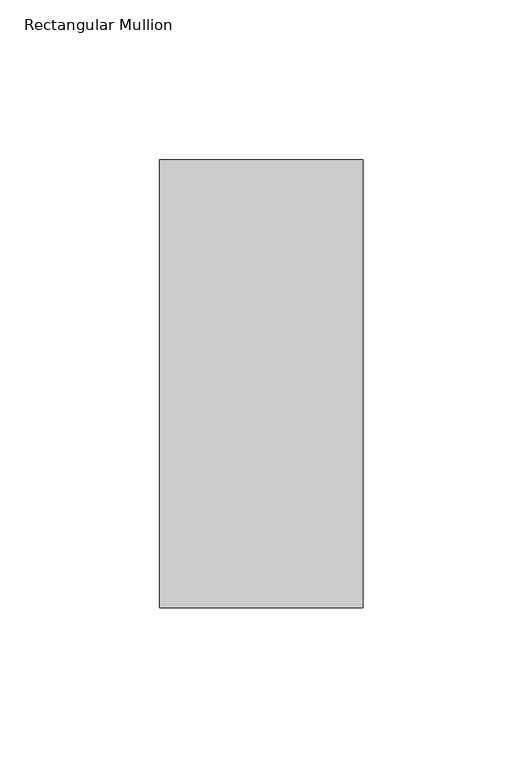
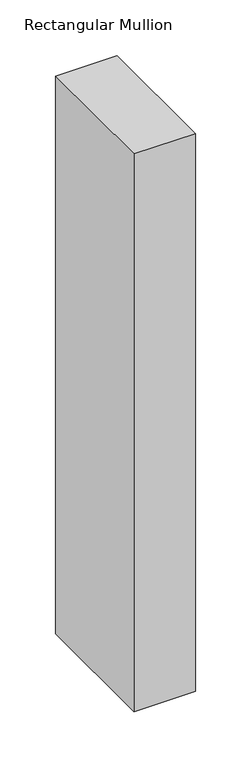
"""IFC4 building model written with IfcOpenShell, lengths in millimetres: member geometry, Rectangular Mullion."""

from ifc_helpers import new_model, si_unit, frame, origin, place, context, project, spatial, polyline, outline, extrude, source, transform, mapped, element, save


def rectangular_mullion_507a0472(model_context):
    return source(origin(), model_context, "Body", "SweptSolid", [
        extrude(outline(polyline([(0.0, 190.7881317), (0.0, 50.8202784), (-63.5, 50.8202784), (-63.5, 190.7881317), (0.0, 190.7881317)])), frame((0.0, 0.0, -609.6), z_axis=(0.0, 0.0, 1.0), x_axis=(1.0, 0.0, 0.0)), (0.0, 0.0, 1.0), 609.6),
    ])


if __name__ == "__main__":
    model = new_model("IFC4")
    model_context = context("Model", 3, world=origin())
    ifc_project = project(units=[si_unit("LENGTHUNIT", "METRE", prefix="MILLI")], contexts=[model_context])
    site = spatial("IfcSite", under=ifc_project)
    building = spatial("IfcBuilding", under=site)
    placement = place(None, origin())
    rectangular_mullion_shape = rectangular_mullion_507a0472(model_context)
    element("IfcMember", 1, ObjectType="Rectangular Mullion", at=placement, inside=building, context=model_context, shape_type="MappedRepresentation", body=[
        mapped(rectangular_mullion_shape, transform((0.0, 0.0, 0.0), x_axis=(1.0, 0.0, 0.0), y_axis=(0.0, 1.0, 0.0), z_axis=(0.0, 0.0, 1.0))),
    ])
    save(model, "model.ifc")
